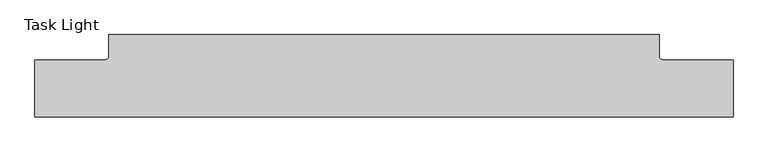
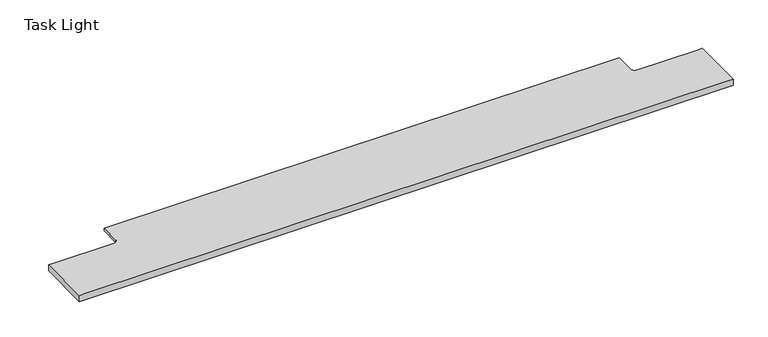
"""IFC4 building model written with IfcOpenShell, lengths in millimetres: light fixture geometry, Task Light."""

from ifc_helpers import new_model, si_unit, frame, origin, place, context, project, spatial, polyline, circle_curve, source, transform, mapped, element, save
from ifc_brep_helpers import plane_surface, revolved_surface, advanced_brep


def task_light_84543311(model_context):
    return source(origin(), model_context, "Body", "AdvancedBrep", [
        advanced_brep(
        [(-487.9975, 29.2199219, -2.5146), (-487.9975, 29.2199219, 2.4854), (-481.6475, 35.5699219, 2.4854), (-481.6475, 35.5699219, -2.5146), (-481.6475, 73.2394219, 2.4854), (-481.6475, 73.2394219, -2.5146), (481.6475, 35.5699219, 2.4854), (481.6475, 35.5699219, -2.5146), (481.6475, 73.2394219, -2.5146), (481.6475, 73.2394219, 2.4854), (487.9975, 29.2199219, 2.4854), (487.9975, 29.2199219, -2.5146), (-611.1875, -70.7605781, -9.5146), (-611.1875, -70.7605781, 2.4854), (-611.1875, 29.2199219, 2.4854), (-611.1875, 29.2199219, -9.5146), (611.1875, -70.7605781, 2.4854), (611.1875, -70.7605781, -9.5146), (611.1875, 29.2199219, -9.5146), (611.1875, 29.2199219, 2.4854), (-601.6625, -70.7605781, 2.4854), (601.6625, -70.7605781, 2.4854), (601.6625, 29.2199219, 2.4854), (-601.6625, 29.2199219, 2.4854), (-601.6625, -44.1493944, -9.5146), (-601.6625, -64.6562804, -9.5146), (601.6625, -64.6562804, -9.5146), (601.6625, -44.1493944, -9.5146), (-601.6625, -46.719563, 0.0773999), (601.6625, -46.719563, 0.0773999), (601.6625, -62.0861118, 0.0773999), (-601.6625, -62.0861118, 0.0773999)],
        [
            (0, 1),
            (1, 2, circle_curve(frame((-487.9975, 35.5699219, 2.4854), z_axis=(0.0, 0.0, 1.0), x_axis=(1.0, 0.0, 0.0)), 6.35)),
            (2, 3),
            (3, 0, circle_curve(frame((-487.9975, 35.5699219, -2.5146), z_axis=(0.0, 0.0, -1.0), x_axis=(1.0, 0.0, 0.0)), 6.35)),
            (2, 4),
            (4, 5),
            (5, 3),
            (6, 7),
            (7, 8),
            (8, 9),
            (9, 6),
            (10, 11),
            (11, 7, circle_curve(frame((487.9975, 35.5699219, -2.5146), z_axis=(0.0, 0.0, -1.0), x_axis=(1.0, 0.0, 0.0)), 6.35)),
            (6, 10, circle_curve(frame((487.9975, 35.5699219, 2.4854), z_axis=(0.0, 0.0, 1.0), x_axis=(1.0, 0.0, 0.0)), 6.35)),
            (12, 13),
            (13, 14),
            (14, 15),
            (15, 12),
            (16, 17),
            (17, 18),
            (18, 19),
            (19, 16),
            (13, 20),
            (20, 21),
            (21, 16),
            (19, 22),
            (22, 10),
            (9, 4),
            (1, 23),
            (23, 14),
            (8, 5),
            (11, 0),
            (18, 15),
            (17, 12),
            (24, 25),
            (25, 26),
            (26, 27),
            (27, 24),
            (28, 29),
            (29, 30),
            (30, 31),
            (31, 28),
            (30, 26),
            (25, 31),
            (29, 27),
            (24, 28),
        ],
        [
            revolved_surface(polyline([(-481.6475, 35.5699219, 2.4854000000000003), (-481.6475, 35.5699219, -2.5145999999999997)]), (-487.9975, 35.5699219, 8.9101779), (0.0, 0.0, 1.0)),
            plane_surface(frame((-481.6475, 35.5699219, 8.9101779), z_axis=(-1.0, 0.0, 0.0), x_axis=(0.0, 0.0, -1.0))),
            plane_surface(frame((481.6475, 86.3699219, 8.9101779), z_axis=(1.0, 0.0, 0.0), x_axis=(0.0, 0.0, -1.0))),
            revolved_surface(polyline([(494.3475, 35.5699219, 2.4854000000000003), (494.3475, 35.5699219, -2.5145999999999997)]), (487.9975, 35.5699219, 8.9101779), (0.0, 0.0, 1.0)),
            plane_surface(frame((-611.1875, 29.2199219, 0.0), z_axis=(-1.0, 0.0, 0.0), x_axis=(0.0, 0.0, 1.0))),
            plane_surface(frame((611.1875, 29.2199219, 0.0), z_axis=(1.0, 0.0, 0.0), x_axis=(0.0, 0.0, 1.0))),
            plane_surface(frame((-611.1875, -70.7605781, 2.4854), z_axis=(0.0, 0.0, 1.0), x_axis=(1.0, 0.0, 0.0))),
            plane_surface(frame((-611.1875, 73.2394219, 2.4854), z_axis=(0.0, 1.0, 0.0), x_axis=(1.0, 0.0, 0.0))),
            plane_surface(frame((-611.1875, 73.2394219, -2.5146), z_axis=(0.0, 0.0, -1.0), x_axis=(1.0, 0.0, 0.0))),
            plane_surface(frame((-611.1875, 29.2199219, -2.5146), z_axis=(0.0, 1.0, 0.0), x_axis=(1.0, 0.0, 0.0))),
            plane_surface(frame((-611.1875, 29.2199219, -9.5146), z_axis=(0.0, 0.0, -1.0), x_axis=(1.0, 0.0, 0.0))),
            plane_surface(frame((-611.1875, -46.719563, 0.0773999), z_axis=(0.0, 0.0, -1.0), x_axis=(1.0, 0.0, 0.0))),
            plane_surface(frame((-611.1875, -62.0861118, 0.0773999), z_axis=(0.0, 0.9659258262890653, -0.25881904510253223), x_axis=(1.0, 0.0, 0.0))),
            plane_surface(frame((-611.1875, -70.7605781, -9.5146), z_axis=(0.0, -1.0, 0.0), x_axis=(1.0, 0.0, 0.0))),
            plane_surface(frame((601.6625, -70.7605781, -9.5146), z_axis=(-1.0, 0.0, 0.0), x_axis=(0.0, 0.0, 1.0))),
            plane_surface(frame((-601.6625, 29.2199219, -9.5146), z_axis=(1.0, 0.0, 0.0), x_axis=(0.0, 0.0, 1.0))),
            plane_surface(frame((-611.1875, -44.1493944, -9.5146), z_axis=(0.0, -0.9659258262890662, -0.2588190451025288), x_axis=(1.0, 0.0, 0.0))),
        ],
        [
            (0, [[1, 2, 3, 4]]),
            (1, [[-3, 5, 6, 7]]),
            (2, [[8, 9, 10, 11]]),
            (3, [[12, 13, -8, 14]]),
            (4, [[15, 16, 17, 18]]),
            (5, [[19, 20, 21, 22]]),
            (6, [[-16, 23, 24, 25, -22, 26, 27, -14, -11, 28, -5, -2, 29, 30]]),
            (7, [[-28, -10, 31, -6]]),
            (8, [[-31, -9, -13, 32, -4, -7]]),
            (9, [[-32, -12, -27, -26, -21, 33, -17, -30, -29, -1]]),
            (10, [[-18, -33, -20, 34], [35, 36, 37, 38]]),
            (11, [[39, 40, 41, 42]]),
            (12, [[-41, 43, -36, 44]]),
            (13, [[-15, -34, -19, -25, -24, -23]]),
            (14, [[-37, -43, -40, 45]]),
            (15, [[-35, 46, -42, -44]]),
            (16, [[-39, -46, -38, -45]]),
        ],
    ),
    ])


if __name__ == "__main__":
    model = new_model("IFC4")
    model_context = context("Model", 3, world=origin())
    ifc_project = project(units=[si_unit("LENGTHUNIT", "METRE", prefix="MILLI")], contexts=[model_context])
    site = spatial("IfcSite", under=ifc_project)
    building = spatial("IfcBuilding", under=site)
    placement = place(None, origin())
    task_light_shape = task_light_84543311(model_context)
    element("IfcLightFixture", 1, ObjectType="Task Light", at=placement, inside=building, context=model_context, shape_type="MappedRepresentation", body=[
        mapped(task_light_shape, transform((0.0, 0.0, 0.0), x_axis=(1.0, 0.0, 0.0), y_axis=(0.0, 1.0, 0.0), z_axis=(0.0, 0.0, 1.0))),
    ])
    save(model, "model.ifc")
